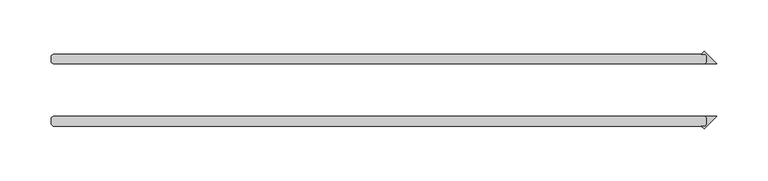
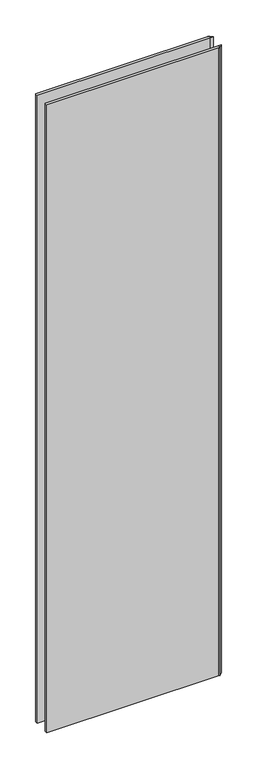
"""IFC4 building model written with IfcOpenShell, lengths in millimetres: plate geometry."""

from ifc_helpers import new_model, si_unit, origin, origin_with_axes, place, context, project, spatial, polyline, outline, extrude, source, transform, mapped, element, save


def plate_bd9a92e2(model_context):
    return source(origin(), model_context, "Body", "SweptSolid", [
        extrude(outline(polyline([(320.278125, -26.9875), (318.690625, -25.4), (329.803125, -25.4), (317.568093, -37.635032), (314.858061, -34.925), (318.690625, -34.925), (320.278125, -33.3375), (320.278125, -26.9875)])), origin_with_axes(), (0.0, 0.0, 1.0), 2428.7789267),
        extrude(outline(polyline([(320.278125, 26.9875), (320.278125, 33.3375), (318.690625, 34.925), (314.858061, 34.925), (317.568093, 37.635032), (329.803125, 25.4), (318.690625, 25.4), (320.278125, 26.9875)])), origin_with_axes(), (0.0, 0.0, 1.0), 2428.7789267),
        extrude(outline(polyline([(318.690625, 25.4), (-315.515625, 25.4), (-317.103125, 26.9875), (-317.103125, 33.3375), (-315.515625, 34.925), (318.690625, 34.925), (320.278125, 33.3375), (320.278125, 26.9875), (318.690625, 25.4)])), origin_with_axes(), (0.0, 0.0, 1.0), 2428.7789267),
        extrude(outline(polyline([(318.690625, -34.925), (-315.515625, -34.925), (-317.103125, -33.3375), (-317.103125, -26.9875), (-315.515625, -25.4), (318.690625, -25.4), (320.278125, -26.9875), (320.278125, -33.3375), (318.690625, -34.925)])), origin_with_axes(), (0.0, 0.0, 1.0), 2428.7789267),
    ])


if __name__ == "__main__":
    model = new_model("IFC4")
    model_context = context("Model", 3, world=origin())
    ifc_project = project(units=[si_unit("LENGTHUNIT", "METRE", prefix="MILLI")], contexts=[model_context])
    site = spatial("IfcSite", under=ifc_project)
    building = spatial("IfcBuilding", under=site)
    placement = place(None, origin())
    plate_shape = plate_bd9a92e2(model_context)
    element("IfcPlate", 1, at=placement, inside=building, context=model_context, shape_type="MappedRepresentation", body=[
        mapped(plate_shape, transform((0.0, 0.0, 0.0), x_axis=(1.0, 0.0, 0.0), y_axis=(0.0, 1.0, 0.0), z_axis=(0.0, 0.0, 1.0))),
    ])
    save(model, "model.ifc")
